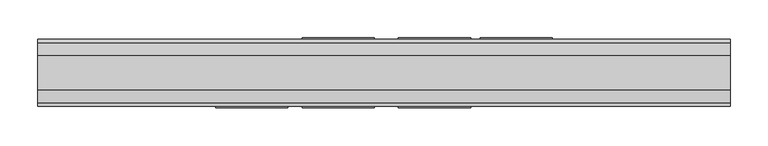
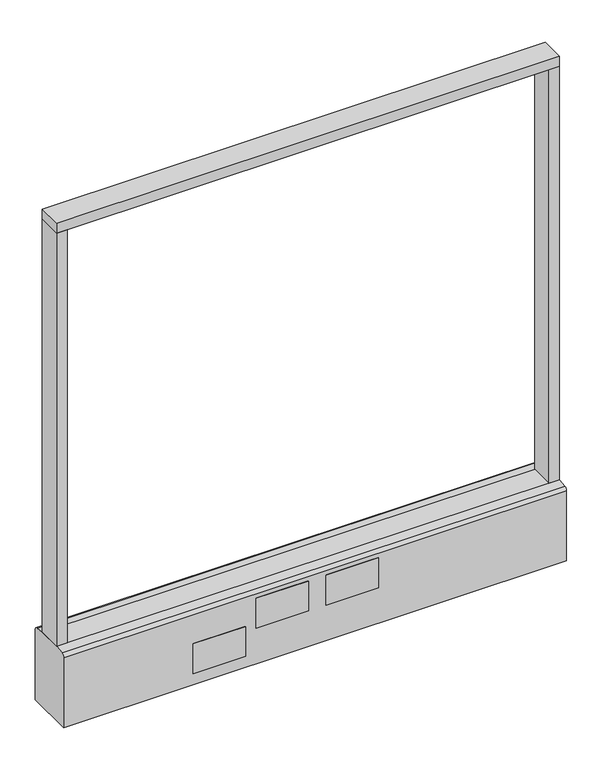
"""IFC4 building model written with IfcOpenShell, lengths in millimetres: furniture geometry."""

from ifc_helpers import new_model, si_unit, point, frame, frame_2d, origin, origin_with_axes, place, context, project, spatial, polyline, circle_curve, trimmed, segment, composite_curve, outline, extrude, source, transform, mapped, element, save


def furniture_66504a74(model_context):
    return source(origin(), model_context, "Body", "SweptSolid", [
        extrude(outline(polyline([(457.2, -22.225), (-457.2, -22.225), (-457.2, 22.225), (457.2, 22.225), (457.2, -22.225)])), frame((0.0, 0.0, 946.15), z_axis=(0.0, 0.0, 1.0), x_axis=(1.0, 0.0, 0.0)), (0.0, 0.0, 1.0), 19.05),
        extrude(outline(composite_curve([segment(trimmed(circle_curve(frame_2d((-381.0, 0.0)), 23.415625), [point((-404.415625, 0.0))], [point((-357.584375, 0.0))], False, "CARTESIAN"), True, "CONTINUOUS"), segment(trimmed(circle_curve(frame_2d((-381.0, 0.0)), 23.415625), [point((-357.584375, 0.0))], [point((-404.415625, 0.0))], False, "CARTESIAN"), True, "CONTINUOUS")], self_intersect=False)), origin_with_axes(), (0.0, 0.0, 1.0), 6.35),
        extrude(outline(composite_curve([segment(trimmed(circle_curve(frame_2d((381.0, 0.0)), 23.415625), [point((357.584375, 0.0))], [point((404.415625, 0.0))], False, "CARTESIAN"), True, "CONTINUOUS"), segment(trimmed(circle_curve(frame_2d((381.0, 0.0)), 23.415625), [point((404.415625, 0.0))], [point((357.584375, 0.0))], False, "CARTESIAN"), True, "CONTINUOUS")], self_intersect=False)), origin_with_axes(), (0.0, 0.0, 1.0), 6.35),
        extrude(outline(polyline([(-438.1500091, -22.225), (-457.2, -22.225), (-457.2, 22.225), (-438.1500091, 22.225), (-438.1500091, -22.225)])), frame((0.0, 0.0, 152.4), z_axis=(0.0, 0.0, 1.0), x_axis=(1.0, 0.0, 0.0)), (0.0, 0.0, 1.0), 793.75),
        extrude(outline(polyline([(457.2, -22.225), (438.1500091, -22.225), (438.1500091, 22.225), (457.2, 22.225), (457.2, -22.225)])), frame((0.0, 0.0, 152.4), z_axis=(0.0, 0.0, 1.0), x_axis=(1.0, 0.0, 0.0)), (0.0, 0.0, 1.0), 793.75),
        extrude(outline(composite_curve([segment(polyline([(-22.225, 152.4), (22.225, 152.4), (39.43219, 149.94183)]), True, "CONTINUOUS"), segment(trimmed(circle_curve(frame_2d((38.605678, 144.1562464)), 5.844322), [point((39.43219, 149.94183))], [point((44.45, 144.1562464))], False, "CARTESIAN"), True, "CONTINUOUS"), segment(polyline([(44.45, 144.1562464), (44.45, 9.525), (-44.4433083, 9.525), (-44.4433083, 144.1572033)]), True, "CONTINUOUS"), segment(trimmed(circle_curve(frame_2d((-38.5989863, 144.1572033)), 5.844322), [point((-44.4433083, 144.1572033))], [point((-39.4222979, 149.9432432))], False, "CARTESIAN"), True, "CONTINUOUS"), segment(polyline([(-39.4222979, 149.9432432), (-22.225, 152.4)]), True, "CONTINUOUS")], self_intersect=False)), frame((-457.2, 0.0, 0.0), z_axis=(1.0, 0.0, 0.0), x_axis=(0.0, 1.0, 0.0)), (0.0, 0.0, 1.0), 914.4),
        extrude(outline(polyline([(222.25, 44.45), (127.0, 44.45), (127.0, 46.0375), (222.25, 46.0375), (222.25, 44.45)])), frame((0.0, 0.0, 31.75), z_axis=(0.0, 0.0, 1.0), x_axis=(1.0, 0.0, 0.0)), (0.0, 0.0, 1.0), 57.15),
        extrude(outline(polyline([(114.3, 44.45), (19.05, 44.45), (19.05, 46.0375), (114.3, 46.0375), (114.3, 44.45)])), frame((0.0, 0.0, 79.1718), z_axis=(0.0, 0.0, 1.0), x_axis=(1.0, 0.0, 0.0)), (0.0, 0.0, 1.0), 57.15),
        extrude(outline(polyline([(-12.7, 44.45), (-107.95, 44.45), (-107.95, 46.0375), (-12.7, 46.0375), (-12.7, 44.45)])), frame((0.0, 0.0, 79.1718), z_axis=(0.0, 0.0, 1.0), x_axis=(1.0, 0.0, 0.0)), (0.0, 0.0, 1.0), 57.15),
        extrude(outline(polyline([(-127.0, -46.0375), (-222.25, -46.0375), (-222.25, -44.45), (-127.0, -44.45), (-127.0, -46.0375)])), frame((0.0, 0.0, 31.75), z_axis=(0.0, 0.0, 1.0), x_axis=(1.0, 0.0, 0.0)), (0.0, 0.0, 1.0), 57.15),
        extrude(outline(polyline([(114.3, -46.0375), (19.05, -46.0375), (19.05, -44.45), (114.3, -44.45), (114.3, -46.0375)])), frame((0.0, 0.0, 79.1718), z_axis=(0.0, 0.0, 1.0), x_axis=(1.0, 0.0, 0.0)), (0.0, 0.0, 1.0), 57.15),
        extrude(outline(polyline([(-12.7, -46.0375), (-107.95, -46.0375), (-107.95, -44.45), (-12.7, -44.45), (-12.7, -46.0375)])), frame((0.0, 0.0, 79.1718), z_axis=(0.0, 0.0, 1.0), x_axis=(1.0, 0.0, 0.0)), (0.0, 0.0, 1.0), 57.15),
        extrude(outline(composite_curve([segment(trimmed(circle_curve(frame_2d((-381.0, 0.0)), 5.55625), [point((-386.55625, 0.0))], [point((-375.44375, 0.0))], False, "CARTESIAN"), True, "CONTINUOUS"), segment(trimmed(circle_curve(frame_2d((-381.0, 0.0)), 5.55625), [point((-375.44375, 0.0))], [point((-386.55625, 0.0))], False, "CARTESIAN"), True, "CONTINUOUS")], self_intersect=False)), frame((0.0, 0.0, 6.35), z_axis=(0.0, 0.0, 1.0), x_axis=(1.0, 0.0, 0.0)), (0.0, 0.0, 1.0), 3.175),
        extrude(outline(composite_curve([segment(trimmed(circle_curve(frame_2d((381.0, 0.0)), 5.55625), [point((375.44375, 0.0))], [point((386.55625, 0.0))], False, "CARTESIAN"), True, "CONTINUOUS"), segment(trimmed(circle_curve(frame_2d((381.0, 0.0)), 5.55625), [point((386.55625, 0.0))], [point((375.44375, 0.0))], False, "CARTESIAN"), True, "CONTINUOUS")], self_intersect=False)), frame((0.0, 0.0, 6.35), z_axis=(0.0, 0.0, 1.0), x_axis=(1.0, 0.0, 0.0)), (0.0, 0.0, 1.0), 3.175),
    ])


if __name__ == "__main__":
    model = new_model("IFC4")
    model_context = context("Model", 3, world=origin())
    ifc_project = project(units=[si_unit("LENGTHUNIT", "METRE", prefix="MILLI")], contexts=[model_context])
    site = spatial("IfcSite", under=ifc_project)
    building = spatial("IfcBuilding", under=site)
    placement = place(None, origin())
    furniture_shape = furniture_66504a74(model_context)
    element("IfcFurniture", 1, at=placement, inside=building, context=model_context, shape_type="MappedRepresentation", body=[
        mapped(furniture_shape, transform((0.0, 0.0, 0.0), x_axis=(1.0, 0.0, 0.0), y_axis=(0.0, 1.0, 0.0), z_axis=(0.0, 0.0, 1.0))),
    ])
    save(model, "model.ifc")
